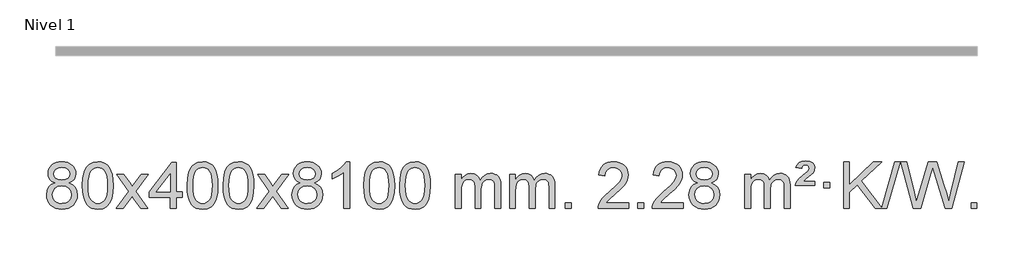
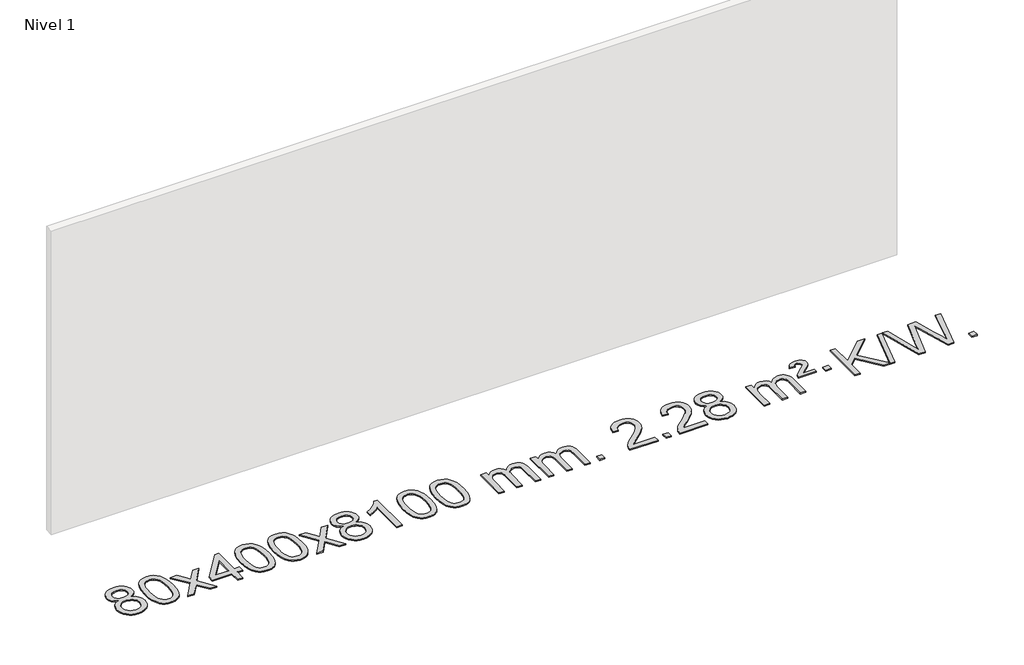
# One storey, part 2 of 16: 1 proxy.
"""IFC4 building model written with IfcOpenShell, lengths in millimetres."""

from ifc_helpers import new_model, si_unit, origin, origin_with_axes, place, context, project, spatial, polyline, outline, extrude, element, save

model = new_model("IFC4")

# Units and contexts
model_context = context("Model", 3, world=origin())
ifc_project = project(units=[si_unit("LENGTHUNIT", "METRE", prefix="MILLI")], contexts=[model_context])

# Site, building, storey
site = spatial("IfcSite", under=ifc_project)
building = spatial("IfcBuilding", under=site)
storey = spatial("IfcBuildingStorey", under=building, Name="Nivel 1", Elevation=0.0)

# Proxy
placement = place(None, origin())
element("IfcBuildingElementProxy", 1, Name="Texto de modelo 1", ObjectType="Texto de modelo 1", at=placement, inside=storey, context=model_context, shape_type="SweptSolid", body=[
    extrude(outline(polyline([(-13036.8094438, -12224.2616447), (-13063.7016177, -12211.0178929), (-13082.573964, -12193.0652515), (-13093.7207885, -12170.7716026), (-13097.4363966, -12144.5048281), (-13095.4130456, -12124.0199324), (-13089.3429927, -12105.2395565), (-13079.2262378, -12088.1637006), (-13065.062781, -12072.7923645), (-13047.533204, -12060.088173), (-13027.3180883, -12051.0137504), (-13004.4174341, -12045.5690969), (-12978.8312414, -12043.7542124), (-12953.1224213, -12045.6120165), (-12930.0500888, -12051.1854287), (-12909.614244, -12060.4744491), (-12891.8148868, -12073.4790776), (-12877.3939126, -12089.1508506), (-12867.0932167, -12106.4413044), (-12860.9127992, -12125.3504389), (-12858.85266, -12145.8782543), (-12862.5192172, -12171.2989001), (-12873.5188889, -12193.2124043), (-12891.9743023, -12211.0546811), (-12918.0080848, -12224.2616447), (-12887.0937345, -12240.1909351), (-12864.5916191, -12263.6495436), (-12850.8696207, -12293.5092989), (-12846.2956212, -12328.6420295), (-12848.5642269, -12353.6947933), (-12855.3700438, -12376.6628926), (-12866.713072, -12397.5463272), (-12882.5933114, -12416.3450971), (-12902.1768963, -12431.88198), (-12924.6299607, -12442.9797536), (-12949.9525047, -12449.6384177), (-12978.1445283, -12451.8579724), (-13006.3365519, -12449.6292206), (-13031.6590959, -12442.9429654), (-13054.1121603, -12431.7992066), (-13073.6957452, -12416.1979443), (-13089.5759846, -12397.26735), (-13100.9190128, -12376.135595), (-13107.7248297, -12352.8026795), (-13109.9934354, -12327.2686033), (-13105.2354949, -12290.7747094), (-13090.9616735, -12260.7555386), (-13067.9077351, -12238.2411605), (-13036.8094438, -12224.2616447)]), holes=[polyline([(-13047.2082415, -12145.9763561), (-13042.7568694, -12167.902123), (-13029.402753, -12185.413306), (-13007.5382997, -12196.8912243), (-12977.5559171, -12200.717197), (-12948.2725103, -12196.9157497), (-12926.7391508, -12185.5114079), (-12913.495399, -12168.5888361), (-12909.0808151, -12148.232699), (-12913.6425518, -12127.1040098), (-12927.327762, -12109.629615), (-12949.1554271, -12097.8941794), (-12978.1445283, -12093.9823675), (-13007.3175705, -12097.8083402), (-13029.1084474, -12109.2862585), (-13042.683293, -12126.1107284), (-13047.2082415, -12145.9763561)]), polyline([(-13059.7652803, -12325.5027698), (-13057.6683529, -12344.7184726), (-13051.3775708, -12363.3210389), (-13039.7647625, -12379.5446349), (-13021.7017565, -12391.623427), (-13000.0702952, -12399.1282197), (-12977.7521208, -12401.6298173), (-12943.5636208, -12396.3691048), (-12929.6699441, -12389.7932141), (-12917.909983, -12380.5869672), (-12901.870328, -12356.6869002), (-12896.5237763, -12327.0723996), (-12902.0420062, -12296.9551269), (-12918.596696, -12272.5277625), (-12930.6754882, -12263.0854579), (-12944.838945, -12256.3409547), (-12979.4198526, -12250.9453521), (-13013.130106, -12256.2673783), (-13026.8674329, -12262.919911), (-13038.5262264, -12272.2334569), (-13054.4555168, -12296.1948375), (-13059.7652803, -12325.5027698)])]), origin_with_axes(), (0.0, 0.0, 1.0), 10.0),
    extrude(outline(polyline([(-12802.3459855, -12247.9041943), (-12798.6549029, -12183.5861588), (-12787.5816548, -12132.2911459), (-12769.236606, -12093.2343407), (-12757.378543, -12078.0009605), (-12743.730121, -12065.6309284), (-12728.2453547, -12056.0598651), (-12710.8782588, -12049.2233914), (-12670.4970785, -12043.7542124), (-12639.5459399, -12046.991574), (-12611.832163, -12056.7036586), (-12588.6555973, -12072.5103217), (-12571.3160926, -12094.0314184), (-12558.2194935, -12121.0830078), (-12547.7716449, -12153.4811488), (-12540.9290398, -12194.6226186), (-12538.6481714, -12247.9041943), (-12542.3024659, -12311.8543477), (-12553.2653493, -12363.0267333), (-12571.5000336, -12402.1203266), (-12583.3305054, -12417.3996922), (-12596.9697304, -12429.8341036), (-12612.4728908, -12439.4695462), (-12629.8951689, -12446.3520052), (-12670.4970785, -12451.8579724), (-12698.1618045, -12449.4667394), (-12722.6872709, -12442.2930405), (-12744.0734775, -12430.3368757), (-12762.3204245, -12413.5982449), (-12779.8316074, -12383.3399508), (-12792.3395953, -12345.6381776), (-12799.844388, -12300.4929255), (-12802.3459855, -12247.9041943)]), holes=[polyline([(-12752.1178305, -12247.8060924), (-12750.6463025, -12291.4706195), (-12746.2317185, -12326.8148822), (-12738.8740786, -12353.8388804), (-12728.5733828, -12372.5426142), (-12716.1144459, -12385.2682656), (-12702.2820829, -12394.3580165), (-12687.0762937, -12399.8118671), (-12670.4970785, -12401.6298173), (-12653.9178632, -12399.8057357), (-12638.7120741, -12394.3334911), (-12624.8797111, -12385.2130833), (-12612.4207742, -12372.4445124), (-12602.1200783, -12353.7101217), (-12594.7624384, -12326.6922549), (-12590.3478545, -12291.3909118), (-12588.8763265, -12247.8060924), (-12590.2988035, -12205.2973278), (-12594.5662347, -12170.5753989), (-12601.6786199, -12143.6403055), (-12611.6359592, -12124.4920476), (-12623.8864297, -12111.1440625), (-12637.8782082, -12101.6097875), (-12653.6112949, -12095.8892225), (-12671.0856897, -12093.9823675), (-12687.5790658, -12095.6623619), (-12702.5273375, -12100.7023452), (-12715.9305049, -12109.1023175), (-12727.7885679, -12120.8622786), (-12738.4326203, -12141.708925), (-12746.0355148, -12169.8151094), (-12750.5972516, -12205.1808319), (-12752.1178305, -12247.8060924)])]), origin_with_axes(), (0.0, 0.0, 1.0), 10.0),
    extrude(outline(polyline([(-12513.5340939, -12445.579453), (-12406.2106531, -12297.2494325), (-12507.2555745, -12150.4890419), (-12446.8248254, -12150.4890419), (-12398.0681983, -12221.122385), (-12375.3085655, -12254.4770192), (-12355.5900906, -12227.2047007), (-12300.0644348, -12150.4890419), (-12239.6336857, -12150.4890419), (-12345.7799041, -12297.2494325), (-12243.5577603, -12445.579453), (-12303.9885094, -12445.579453), (-12365.498379, -12356.4048574), (-12376.7800935, -12340.1199477), (-12453.1033448, -12445.579453), (-12513.5340939, -12445.579453)])), origin_with_axes(), (0.0, 0.0, 1.0), 10.0),
    extrude(outline(polyline([(-12048.9236594, -12445.579453), (-12048.9236594, -12351.4016622), (-12231.0007216, -12351.4016622), (-12231.0007216, -12301.1735072), (-12036.3666207, -12050.0327318), (-11998.6955043, -12050.0327318), (-11998.6955043, -12301.1735072), (-11948.4673493, -12301.1735072), (-11948.4673493, -12351.4016622), (-11998.6955043, -12351.4016622), (-11998.6955043, -12445.579453), (-12048.9236594, -12445.579453)]), holes=[polyline([(-12048.9236594, -12301.1735072), (-12048.9236594, -12145.9763561), (-12169.1965464, -12301.1735072), (-12048.9236594, -12301.1735072)])]), origin_with_axes(), (0.0, 0.0, 1.0), 10.0),
    extrude(outline(polyline([(-11904.5177136, -12247.9041943), (-11900.8266309, -12183.5861588), (-11889.7533828, -12132.2911459), (-11871.408334, -12093.2343407), (-11859.550271, -12078.0009605), (-11845.901849, -12065.6309284), (-11830.4170827, -12056.0598651), (-11813.0499869, -12049.2233914), (-11772.6688065, -12043.7542124), (-11741.717668, -12046.991574), (-11714.003891, -12056.7036586), (-11690.8273253, -12072.5103217), (-11673.4878206, -12094.0314184), (-11660.3912216, -12121.0830078), (-11649.9433729, -12153.4811488), (-11643.1007678, -12194.6226186), (-11640.8198994, -12247.9041943), (-11644.4741939, -12311.8543477), (-11655.4370774, -12363.0267333), (-11673.6717616, -12402.1203266), (-11685.5022334, -12417.3996922), (-11699.1414584, -12429.8341036), (-11714.6446188, -12439.4695462), (-11732.066897, -12446.3520052), (-11772.6688065, -12451.8579724), (-11800.3335326, -12449.4667394), (-11824.8589989, -12442.2930405), (-11846.2452055, -12430.3368757), (-11864.4921525, -12413.5982449), (-11882.0033355, -12383.3399508), (-11894.5113233, -12345.6381776), (-11902.016116, -12300.4929255), (-11904.5177136, -12247.9041943)]), holes=[polyline([(-11854.2895585, -12247.8060924), (-11852.8180305, -12291.4706195), (-11848.4034466, -12326.8148822), (-11841.0458067, -12353.8388804), (-11830.7451108, -12372.5426142), (-11818.2861739, -12385.2682656), (-11804.4538109, -12394.3580165), (-11789.2480218, -12399.8118671), (-11772.6688065, -12401.6298173), (-11756.0895913, -12399.8057357), (-11740.8838021, -12394.3334911), (-11727.0514391, -12385.2130833), (-11714.5925022, -12372.4445124), (-11704.2918063, -12353.7101217), (-11696.9341664, -12326.6922549), (-11692.5195825, -12291.3909118), (-11691.0480545, -12247.8060924), (-11692.4705316, -12205.2973278), (-11696.7379627, -12170.5753989), (-11703.8503479, -12143.6403055), (-11713.8076873, -12124.4920476), (-11726.0581577, -12111.1440625), (-11740.0499363, -12101.6097875), (-11755.7830229, -12095.8892225), (-11773.2574177, -12093.9823675), (-11789.7507938, -12095.6623619), (-11804.6990656, -12100.7023452), (-11818.1022329, -12109.1023175), (-11829.9602959, -12120.8622786), (-11840.6043483, -12141.708925), (-11848.2072429, -12169.8151094), (-11852.7689796, -12205.1808319), (-11854.2895585, -12247.8060924)])]), origin_with_axes(), (0.0, 0.0, 1.0), 10.0),
    extrude(outline(polyline([(-11596.8702638, -12247.9041943), (-11593.1791811, -12183.5861588), (-11582.105933, -12132.2911459), (-11563.7608842, -12093.2343407), (-11551.9028212, -12078.0009605), (-11538.2543992, -12065.6309284), (-11522.7696329, -12056.0598651), (-11505.402537, -12049.2233914), (-11465.0213567, -12043.7542124), (-11434.0702182, -12046.991574), (-11406.3564412, -12056.7036586), (-11383.1798755, -12072.5103217), (-11365.8403708, -12094.0314184), (-11352.7437718, -12121.0830078), (-11342.2959231, -12153.4811488), (-11335.453318, -12194.6226186), (-11333.1724496, -12247.9041943), (-11336.8267441, -12311.8543477), (-11347.7896275, -12363.0267333), (-11366.0243118, -12402.1203266), (-11377.8547836, -12417.3996922), (-11391.4940086, -12429.8341036), (-11406.997169, -12439.4695462), (-11424.4194471, -12446.3520052), (-11465.0213567, -12451.8579724), (-11492.6860827, -12449.4667394), (-11517.2115491, -12442.2930405), (-11538.5977557, -12430.3368757), (-11556.8447027, -12413.5982449), (-11574.3558856, -12383.3399508), (-11586.8638735, -12345.6381776), (-11594.3686662, -12300.4929255), (-11596.8702638, -12247.9041943)]), holes=[polyline([(-11546.6421087, -12247.8060924), (-11545.1705807, -12291.4706195), (-11540.7559968, -12326.8148822), (-11533.3983568, -12353.8388804), (-11523.097661, -12372.5426142), (-11510.6387241, -12385.2682656), (-11496.8063611, -12394.3580165), (-11481.6005719, -12399.8118671), (-11465.0213567, -12401.6298173), (-11448.4421414, -12399.8057357), (-11433.2363523, -12394.3334911), (-11419.4039893, -12385.2130833), (-11406.9450524, -12372.4445124), (-11396.6443565, -12353.7101217), (-11389.2867166, -12326.6922549), (-11384.8721327, -12291.3909118), (-11383.4006047, -12247.8060924), (-11384.8230817, -12205.2973278), (-11389.0905129, -12170.5753989), (-11396.2028981, -12143.6403055), (-11406.1602375, -12124.4920476), (-11418.4107079, -12111.1440625), (-11432.4024864, -12101.6097875), (-11448.1355731, -12095.8892225), (-11465.6099679, -12093.9823675), (-11482.103344, -12095.6623619), (-11497.0516157, -12100.7023452), (-11510.4547831, -12109.1023175), (-11522.3128461, -12120.8622786), (-11532.9568985, -12141.708925), (-11540.559793, -12169.8151094), (-11545.1215298, -12205.1808319), (-11546.6421087, -12247.8060924)])]), origin_with_axes(), (0.0, 0.0, 1.0), 10.0),
    extrude(outline(polyline([(-11308.0583721, -12445.579453), (-11200.7349313, -12297.2494325), (-11301.7798527, -12150.4890419), (-11241.3491036, -12150.4890419), (-11192.5924765, -12221.122385), (-11169.8328437, -12254.4770192), (-11150.1143688, -12227.2047007), (-11094.588713, -12150.4890419), (-11034.1579639, -12150.4890419), (-11140.3041823, -12297.2494325), (-11038.0820385, -12445.579453), (-11098.5127876, -12445.579453), (-11160.0226572, -12356.4048574), (-11171.3043717, -12340.1199477), (-11247.627623, -12445.579453), (-11308.0583721, -12445.579453)])), origin_with_axes(), (0.0, 0.0, 1.0), 10.0),
    extrude(outline(polyline([(-10933.50545, -12224.2616447), (-10960.3976239, -12211.0178929), (-10979.2699702, -12193.0652515), (-10990.4167947, -12170.7716026), (-10994.1324029, -12144.5048281), (-10992.1090519, -12124.0199324), (-10986.038999, -12105.2395565), (-10975.9222441, -12088.1637006), (-10961.7587873, -12072.7923645), (-10944.2292102, -12060.088173), (-10924.0140946, -12051.0137504), (-10901.1134404, -12045.5690969), (-10875.5272476, -12043.7542124), (-10849.8184275, -12045.6120165), (-10826.746095, -12051.1854287), (-10806.3102502, -12060.4744491), (-10788.510893, -12073.4790776), (-10774.0899188, -12089.1508506), (-10763.7892229, -12106.4413044), (-10757.6088054, -12125.3504389), (-10755.5486662, -12145.8782543), (-10759.2152235, -12171.2989001), (-10770.2148951, -12193.2124043), (-10788.6703085, -12211.0546811), (-10814.7040911, -12224.2616447), (-10783.7897407, -12240.1909351), (-10761.2876254, -12263.6495436), (-10747.565627, -12293.5092989), (-10742.9916275, -12328.6420295), (-10745.2602331, -12353.6947933), (-10752.06605, -12376.6628926), (-10763.4090782, -12397.5463272), (-10779.2893177, -12416.3450971), (-10798.8729025, -12431.88198), (-10821.325967, -12442.9797536), (-10846.648511, -12449.6384177), (-10874.8405346, -12451.8579724), (-10903.0325581, -12449.6292206), (-10928.3551021, -12442.9429654), (-10950.8081666, -12431.7992066), (-10970.3917514, -12416.1979443), (-10986.2719909, -12397.26735), (-10997.6150191, -12376.135595), (-11004.420836, -12352.8026795), (-11006.6894416, -12327.2686033), (-11001.9315012, -12290.7747094), (-10987.6576797, -12260.7555386), (-10964.6037414, -12238.2411605), (-10933.50545, -12224.2616447)]), holes=[polyline([(-10943.9042478, -12145.9763561), (-10939.4528756, -12167.902123), (-10926.0987592, -12185.413306), (-10904.234306, -12196.8912243), (-10874.2519234, -12200.717197), (-10844.9685165, -12196.9157497), (-10823.4351571, -12185.5114079), (-10810.1914053, -12168.5888361), (-10805.7768213, -12148.232699), (-10810.3385581, -12127.1040098), (-10824.0237683, -12109.629615), (-10845.8514333, -12097.8941794), (-10874.8405346, -12093.9823675), (-10904.0135768, -12097.8083402), (-10925.8044536, -12109.2862585), (-10939.3792992, -12126.1107284), (-10943.9042478, -12145.9763561)]), polyline([(-10956.4612865, -12325.5027698), (-10954.3643592, -12344.7184726), (-10948.0735771, -12363.3210389), (-10936.4607687, -12379.5446349), (-10918.3977628, -12391.623427), (-10896.7663015, -12399.1282197), (-10874.4481271, -12401.6298173), (-10840.259627, -12396.3691048), (-10826.3659503, -12389.7932141), (-10814.6059892, -12380.5869672), (-10798.5663342, -12356.6869002), (-10793.2197826, -12327.0723996), (-10798.7380125, -12296.9551269), (-10815.2927023, -12272.5277625), (-10827.3714944, -12263.0854579), (-10841.5349513, -12256.3409547), (-10876.1158588, -12250.9453521), (-10909.8261123, -12256.2673783), (-10923.5634391, -12262.919911), (-10935.2222327, -12272.2334569), (-10951.1515231, -12296.1948375), (-10956.4612865, -12325.5027698)])]), origin_with_axes(), (0.0, 0.0, 1.0), 10.0),
    extrude(outline(polyline([(-10510.6864103, -12445.579453), (-10560.9145653, -12445.579453), (-10560.9145653, -12132.4382987), (-10581.8838391, -12149.3976587), (-10608.49397, -12166.3324932), (-10661.3708755, -12191.6918254), (-10661.3708755, -12144.2105225), (-10621.9216629, -12122.7507395), (-10587.7454255, -12097.219729), (-10560.8042007, -12070.0700378), (-10543.0600258, -12043.7542124), (-10510.6864103, -12043.7542124), (-10510.6864103, -12445.579453)])), origin_with_axes(), (0.0, 0.0, 1.0), 10.0),
    extrude(outline(polyline([(-10391.394542, -12247.9041943), (-10387.7034593, -12183.5861588), (-10376.6302112, -12132.2911459), (-10358.2851624, -12093.2343407), (-10346.4270994, -12078.0009605), (-10332.7786774, -12065.6309284), (-10317.2939111, -12056.0598651), (-10299.9268152, -12049.2233914), (-10259.5456349, -12043.7542124), (-10228.5944964, -12046.991574), (-10200.8807194, -12056.7036586), (-10177.7041537, -12072.5103217), (-10160.364649, -12094.0314184), (-10147.26805, -12121.0830078), (-10136.8202013, -12153.4811488), (-10129.9775962, -12194.6226186), (-10127.6967278, -12247.9041943), (-10131.3510223, -12311.8543477), (-10142.3139058, -12363.0267333), (-10160.54859, -12402.1203266), (-10172.3790618, -12417.3996922), (-10186.0182868, -12429.8341036), (-10201.5214472, -12439.4695462), (-10218.9437253, -12446.3520052), (-10259.5456349, -12451.8579724), (-10287.2103609, -12449.4667394), (-10311.7358273, -12442.2930405), (-10333.1220339, -12430.3368757), (-10351.3689809, -12413.5982449), (-10368.8801639, -12383.3399508), (-10381.3881517, -12345.6381776), (-10388.8929444, -12300.4929255), (-10391.394542, -12247.9041943)]), holes=[polyline([(-10341.1663869, -12247.8060924), (-10339.6948589, -12291.4706195), (-10335.280275, -12326.8148822), (-10327.9226351, -12353.8388804), (-10317.6219392, -12372.5426142), (-10305.1630023, -12385.2682656), (-10291.3306393, -12394.3580165), (-10276.1248501, -12399.8118671), (-10259.5456349, -12401.6298173), (-10242.9664196, -12399.8057357), (-10227.7606305, -12394.3334911), (-10213.9282675, -12385.2130833), (-10201.4693306, -12372.4445124), (-10191.1686347, -12353.7101217), (-10183.8109948, -12326.6922549), (-10179.3964109, -12291.3909118), (-10177.9248829, -12247.8060924), (-10179.3473599, -12205.2973278), (-10183.6147911, -12170.5753989), (-10190.7271763, -12143.6403055), (-10200.6845157, -12124.4920476), (-10212.9349861, -12111.1440625), (-10226.9267646, -12101.6097875), (-10242.6598513, -12095.8892225), (-10260.1342461, -12093.9823675), (-10276.6276222, -12095.6623619), (-10291.5758939, -12100.7023452), (-10304.9790613, -12109.1023175), (-10316.8371243, -12120.8622786), (-10327.4811767, -12141.708925), (-10335.0840712, -12169.8151094), (-10339.645808, -12205.1808319), (-10341.1663869, -12247.8060924)])]), origin_with_axes(), (0.0, 0.0, 1.0), 10.0),
    extrude(outline(polyline([(-10083.7470921, -12247.9041943), (-10080.0560094, -12183.5861588), (-10068.9827614, -12132.2911459), (-10050.6377126, -12093.2343407), (-10038.7796496, -12078.0009605), (-10025.1312276, -12065.6309284), (-10009.6464612, -12056.0598651), (-9992.2793654, -12049.2233914), (-9951.8981851, -12043.7542124), (-9920.9470465, -12046.991574), (-9893.2332696, -12056.7036586), (-9870.0567039, -12072.5103217), (-9852.7171992, -12094.0314184), (-9839.6206001, -12121.0830078), (-9829.1727515, -12153.4811488), (-9822.3301463, -12194.6226186), (-9820.049278, -12247.9041943), (-9823.7035725, -12311.8543477), (-9834.6664559, -12363.0267333), (-9852.9011401, -12402.1203266), (-9864.731612, -12417.3996922), (-9878.3708369, -12429.8341036), (-9893.8739974, -12439.4695462), (-9911.2962755, -12446.3520052), (-9951.8981851, -12451.8579724), (-9979.5629111, -12449.4667394), (-10004.0883774, -12442.2930405), (-10025.4745841, -12430.3368757), (-10043.721531, -12413.5982449), (-10061.232714, -12383.3399508), (-10073.7407019, -12345.6381776), (-10081.2454946, -12300.4929255), (-10083.7470921, -12247.9041943)]), holes=[polyline([(-10033.518937, -12247.8060924), (-10032.0474091, -12291.4706195), (-10027.6328251, -12326.8148822), (-10020.2751852, -12353.8388804), (-10009.9744894, -12372.5426142), (-9997.5155525, -12385.2682656), (-9983.6831894, -12394.3580165), (-9968.4774003, -12399.8118671), (-9951.8981851, -12401.6298173), (-9935.3189698, -12399.8057357), (-9920.1131807, -12394.3334911), (-9906.2808176, -12385.2130833), (-9893.8218807, -12372.4445124), (-9883.5211849, -12353.7101217), (-9876.163545, -12326.6922549), (-9871.748961, -12291.3909118), (-9870.2774331, -12247.8060924), (-9871.6999101, -12205.2973278), (-9875.9673412, -12170.5753989), (-9883.0797265, -12143.6403055), (-9893.0370658, -12124.4920476), (-9905.2875363, -12111.1440625), (-9919.2793148, -12101.6097875), (-9935.0124015, -12095.8892225), (-9952.4867962, -12093.9823675), (-9968.9801724, -12095.6623619), (-9983.9284441, -12100.7023452), (-9997.3316115, -12109.1023175), (-10009.1896744, -12120.8622786), (-10019.8337268, -12141.708925), (-10027.4366214, -12169.8151094), (-10031.9983581, -12205.1808319), (-10033.518937, -12247.8060924)])]), origin_with_axes(), (0.0, 0.0, 1.0), 10.0),
    extrude(outline(polyline([(-9606.5796189, -12445.579453), (-9606.5796189, -12150.4890419), (-9556.3514638, -12150.4890419), (-9556.3514638, -12199.0494653), (-9541.2437766, -12176.7435537), (-9521.8196072, -12159.2691589), (-9498.7411434, -12147.9751816), (-9472.6705727, -12144.2105225), (-9444.7360665, -12148.048758), (-9422.3443157, -12159.5634645), (-9405.6179477, -12177.9943524), (-9394.6795897, -12202.5811324), (-9376.3713291, -12177.0439906), (-9355.4878945, -12158.803175), (-9332.0292859, -12147.8586857), (-9305.9955034, -12144.2105225), (-9285.8876867, -12145.7280358), (-9268.2385479, -12150.2805755), (-9253.0480872, -12157.8681416), (-9240.3163045, -12168.4907342), (-9230.2516663, -12182.2709806), (-9223.0626389, -12199.3315082), (-9218.7492225, -12219.6723168), (-9217.3114171, -12243.2934066), (-9217.3114171, -12445.579453), (-9267.5395722, -12445.579453), (-9267.5395722, -12264.875817), (-9268.7045318, -12239.8230531), (-9272.1994108, -12222.9372695), (-9278.7477103, -12211.3735121), (-9289.0729316, -12202.2868268), (-9302.3534716, -12196.4007149), (-9317.7677272, -12194.4386776), (-9344.9787321, -12199.4663982), (-9367.1620165, -12214.54956), (-9375.7673895, -12226.1194488), (-9381.9140845, -12240.7182326), (-9386.8314405, -12279.0024856), (-9386.8314405, -12445.579453), (-9437.0595955, -12445.579453), (-9437.0595955, -12259.2840106), (-9439.9658633, -12230.8835206), (-9448.6846666, -12210.6254854), (-9464.0253458, -12198.4853796), (-9486.7972413, -12194.4386776), (-9506.1478342, -12197.1364789), (-9523.9778483, -12205.2298828), (-9538.6931281, -12218.5226856), (-9548.6995183, -12236.8186835), (-9554.4384775, -12262.2025411), (-9556.3514638, -12296.7589232), (-9556.3514638, -12445.579453), (-9606.5796189, -12445.579453)])), origin_with_axes(), (0.0, 0.0, 1.0), 10.0),
    extrude(outline(polyline([(-9141.9691845, -12445.579453), (-9141.9691845, -12150.4890419), (-9091.7410294, -12150.4890419), (-9091.7410294, -12199.0494653), (-9076.6333421, -12176.7435537), (-9057.2091728, -12159.2691589), (-9034.130709, -12147.9751816), (-9008.0601382, -12144.2105225), (-8980.1256321, -12148.048758), (-8957.7338813, -12159.5634645), (-8941.0075132, -12177.9943524), (-8930.0691552, -12202.5811324), (-8911.7608946, -12177.0439906), (-8890.87746, -12158.803175), (-8867.4188515, -12147.8586857), (-8841.3850689, -12144.2105225), (-8821.2772522, -12145.7280358), (-8803.6281135, -12150.2805755), (-8788.4376528, -12157.8681416), (-8775.7058701, -12168.4907342), (-8765.6412318, -12182.2709806), (-8758.4522045, -12199.3315082), (-8754.1387881, -12219.6723168), (-8752.7009826, -12243.2934066), (-8752.7009826, -12445.579453), (-8802.9291377, -12445.579453), (-8802.9291377, -12264.875817), (-8804.0940974, -12239.8230531), (-8807.5889763, -12222.9372695), (-8814.1372758, -12211.3735121), (-8824.4624972, -12202.2868268), (-8837.7430372, -12196.4007149), (-8853.1572928, -12194.4386776), (-8880.3682977, -12199.4663982), (-8902.551582, -12214.54956), (-8911.156955, -12226.1194488), (-8917.30365, -12240.7182326), (-8922.221006, -12279.0024856), (-8922.221006, -12445.579453), (-8972.4491611, -12445.579453), (-8972.4491611, -12259.2840106), (-8975.3554289, -12230.8835206), (-8984.0742321, -12210.6254854), (-8999.4149113, -12198.4853796), (-9022.1868068, -12194.4386776), (-9041.5373998, -12197.1364789), (-9059.3674138, -12205.2298828), (-9074.0826936, -12218.5226856), (-9084.0890839, -12236.8186835), (-9089.828043, -12262.2025411), (-9091.7410294, -12296.7589232), (-9091.7410294, -12445.579453), (-9141.9691845, -12445.579453)])), origin_with_axes(), (0.0, 0.0, 1.0), 10.0),
    extrude(outline(polyline([(-8664.8017113, -12445.579453), (-8664.8017113, -12395.3512979), (-8614.5735562, -12395.3512979), (-8614.5735562, -12445.579453), (-8664.8017113, -12445.579453)])), origin_with_axes(), (0.0, 0.0, 1.0), 10.0),
    extrude(outline(polyline([(-8118.5705248, -12395.3512979), (-8118.5705248, -12445.579453), (-8382.268339, -12445.579453), (-8381.164693, -12427.8965918), (-8376.8727364, -12410.9494945), (-8364.4873759, -12383.8856424), (-8346.3630562, -12357.6311307), (-8320.1453327, -12330.1503456), (-8283.4797605, -12299.4076736), (-8229.2784799, -12251.2641831), (-8196.7577115, -12215.7267824), (-8180.4973273, -12186.884834), (-8175.0771993, -12158.8277005), (-8180.190759, -12133.6768347), (-8195.5314382, -12112.7688747), (-8219.1126741, -12098.6789943), (-8248.9479039, -12093.9823675), (-8280.2791872, -12098.5686297), (-8304.6207125, -12112.3274163), (-8320.3292737, -12134.1796068), (-8325.7616645, -12163.0460807), (-8375.9898196, -12156.7675613), (-8371.6702718, -12130.838012), (-8363.8129255, -12108.1826125), (-8352.4177807, -12088.8013627), (-8337.4848374, -12072.6942627), (-8319.3574521, -12060.0329907), (-8298.3789813, -12050.989225), (-8274.5494251, -12045.5629655), (-8247.8687834, -12043.7542124), (-8220.9490184, -12045.7653006), (-8196.9907035, -12051.7985654), (-8175.9938386, -12061.8540066), (-8157.9584238, -12075.9316242), (-8143.4730702, -12092.9890861), (-8133.1263891, -12111.9840598), (-8126.9183804, -12132.9165453), (-8124.8490442, -12155.7865427), (-8127.0808616, -12179.8092369), (-8133.776314, -12203.4149983), (-8145.6589024, -12227.4254299), (-8163.4521282, -12252.6621347), (-8191.8158301, -12282.7916701), (-8235.4098465, -12321.4805933), (-8293.1918452, -12369.795762), (-8315.8533761, -12395.3512979), (-8118.5705248, -12395.3512979)])), origin_with_axes(), (0.0, 0.0, 1.0), 10.0),
    extrude(outline(polyline([(-8043.2282922, -12445.579453), (-8043.2282922, -12395.3512979), (-7993.0001371, -12395.3512979), (-7993.0001371, -12445.579453), (-8043.2282922, -12445.579453)])), origin_with_axes(), (0.0, 0.0, 1.0), 10.0),
    extrude(outline(polyline([(-7653.9600904, -12395.3512979), (-7653.9600904, -12445.579453), (-7917.6579045, -12445.579453), (-7916.5542585, -12427.8965918), (-7912.2623019, -12410.9494945), (-7899.8769414, -12383.8856424), (-7881.7526218, -12357.6311307), (-7855.5348983, -12330.1503456), (-7818.8693261, -12299.4076736), (-7764.6680455, -12251.2641831), (-7732.1472771, -12215.7267824), (-7715.8868929, -12186.884834), (-7710.4667648, -12158.8277005), (-7715.5803246, -12133.6768347), (-7730.9210038, -12112.7688747), (-7754.5022397, -12098.6789943), (-7784.3374695, -12093.9823675), (-7815.6687527, -12098.5686297), (-7840.0102781, -12112.3274163), (-7855.7188393, -12134.1796068), (-7861.1512301, -12163.0460807), (-7911.3793851, -12156.7675613), (-7907.0598374, -12130.838012), (-7899.2024911, -12108.1826125), (-7887.8073463, -12088.8013627), (-7872.874403, -12072.6942627), (-7854.7470177, -12060.0329907), (-7833.7685469, -12050.989225), (-7809.9389907, -12045.5629655), (-7783.258349, -12043.7542124), (-7756.338584, -12045.7653006), (-7732.380269, -12051.7985654), (-7711.3834041, -12061.8540066), (-7693.3479893, -12075.9316242), (-7678.8626358, -12092.9890861), (-7668.5159547, -12111.9840598), (-7662.307946, -12132.9165453), (-7660.2386098, -12155.7865427), (-7662.4704272, -12179.8092369), (-7669.1658795, -12203.4149983), (-7681.048468, -12227.4254299), (-7698.8416938, -12252.6621347), (-7727.2053956, -12282.7916701), (-7770.799412, -12321.4805933), (-7828.5814108, -12369.795762), (-7851.2429417, -12395.3512979), (-7653.9600904, -12395.3512979)])), origin_with_axes(), (0.0, 0.0, 1.0), 10.0),
    extrude(outline(polyline([(-7530.5479437, -12224.2616447), (-7557.4401176, -12211.0178929), (-7576.3124639, -12193.0652515), (-7587.4592884, -12170.7716026), (-7591.1748965, -12144.5048281), (-7589.1515456, -12124.0199324), (-7583.0814926, -12105.2395565), (-7572.9647378, -12088.1637006), (-7558.801281, -12072.7923645), (-7541.2717039, -12060.088173), (-7521.0565883, -12051.0137504), (-7498.1559341, -12045.5690969), (-7472.5697413, -12043.7542124), (-7446.8609212, -12045.6120165), (-7423.7885887, -12051.1854287), (-7403.3527439, -12060.4744491), (-7385.5533867, -12073.4790776), (-7371.1324125, -12089.1508506), (-7360.8317166, -12106.4413044), (-7354.6512991, -12125.3504389), (-7352.5911599, -12145.8782543), (-7356.2577171, -12171.2989001), (-7367.2573888, -12193.2124043), (-7385.7128022, -12211.0546811), (-7411.7465848, -12224.2616447), (-7380.8322344, -12240.1909351), (-7358.3301191, -12263.6495436), (-7344.6081206, -12293.5092989), (-7340.0341212, -12328.6420295), (-7342.3027268, -12353.6947933), (-7349.1085437, -12376.6628926), (-7360.4515719, -12397.5463272), (-7376.3318114, -12416.3450971), (-7395.9153962, -12431.88198), (-7418.3684607, -12442.9797536), (-7443.6910047, -12449.6384177), (-7471.8830282, -12451.8579724), (-7500.0750518, -12449.6292206), (-7525.3975958, -12442.9429654), (-7547.8506602, -12431.7992066), (-7567.4342451, -12416.1979443), (-7583.3144846, -12397.26735), (-7594.6575128, -12376.135595), (-7601.4633297, -12352.8026795), (-7603.7319353, -12327.2686033), (-7598.9739948, -12290.7747094), (-7584.7001734, -12260.7555386), (-7561.6462351, -12238.2411605), (-7530.5479437, -12224.2616447)]), holes=[polyline([(-7540.9467415, -12145.9763561), (-7536.4953693, -12167.902123), (-7523.1412529, -12185.413306), (-7501.2767996, -12196.8912243), (-7471.294417, -12200.717197), (-7442.0110102, -12196.9157497), (-7420.4776508, -12185.5114079), (-7407.2338989, -12168.5888361), (-7402.819315, -12148.232699), (-7407.3810517, -12127.1040098), (-7421.066262, -12109.629615), (-7442.893927, -12097.8941794), (-7471.8830282, -12093.9823675), (-7501.0560705, -12097.8083402), (-7522.8469473, -12109.2862585), (-7536.4217929, -12126.1107284), (-7540.9467415, -12145.9763561)]), polyline([(-7553.5037802, -12325.5027698), (-7551.4068529, -12344.7184726), (-7545.1160707, -12363.3210389), (-7533.5032624, -12379.5446349), (-7515.4402565, -12391.623427), (-7493.8087951, -12399.1282197), (-7471.4906208, -12401.6298173), (-7437.3021207, -12396.3691048), (-7423.408444, -12389.7932141), (-7411.6484829, -12380.5869672), (-7395.6088279, -12356.6869002), (-7390.2622762, -12327.0723996), (-7395.7805062, -12296.9551269), (-7412.3351959, -12272.5277625), (-7424.4139881, -12263.0854579), (-7438.5774449, -12256.3409547), (-7473.1583525, -12250.9453521), (-7506.868606, -12256.2673783), (-7520.6059328, -12262.919911), (-7532.2647264, -12272.2334569), (-7548.1940168, -12296.1948375), (-7553.5037802, -12325.5027698)])]), origin_with_axes(), (0.0, 0.0, 1.0), 10.0),
    extrude(outline(polyline([(-7126.5644621, -12445.579453), (-7126.5644621, -12150.4890419), (-7076.336307, -12150.4890419), (-7076.336307, -12199.0494653), (-7061.2286197, -12176.7435537), (-7041.8044504, -12159.2691589), (-7018.7259866, -12147.9751816), (-6992.6554158, -12144.2105225), (-6964.7209097, -12148.048758), (-6942.3291589, -12159.5634645), (-6925.6027909, -12177.9943524), (-6914.6644329, -12202.5811324), (-6896.3561722, -12177.0439906), (-6875.4727377, -12158.803175), (-6852.0141291, -12147.8586857), (-6825.9803466, -12144.2105225), (-6805.8725298, -12145.7280358), (-6788.2233911, -12150.2805755), (-6773.0329304, -12157.8681416), (-6760.3011477, -12168.4907342), (-6750.2365094, -12182.2709806), (-6743.0474821, -12199.3315082), (-6738.7340657, -12219.6723168), (-6737.2962603, -12243.2934066), (-6737.2962603, -12445.579453), (-6787.5244153, -12445.579453), (-6787.5244153, -12264.875817), (-6788.689375, -12239.8230531), (-6792.1842539, -12222.9372695), (-6798.7325535, -12211.3735121), (-6809.0577748, -12202.2868268), (-6822.3383148, -12196.4007149), (-6837.7525704, -12194.4386776), (-6864.9635753, -12199.4663982), (-6887.1468596, -12214.54956), (-6895.7522326, -12226.1194488), (-6901.8989276, -12240.7182326), (-6906.8162836, -12279.0024856), (-6906.8162836, -12445.579453), (-6957.0444387, -12445.579453), (-6957.0444387, -12259.2840106), (-6959.9507065, -12230.8835206), (-6968.6695098, -12210.6254854), (-6984.010189, -12198.4853796), (-7006.7820845, -12194.4386776), (-7026.1326774, -12197.1364789), (-7043.9626914, -12205.2298828), (-7058.6779713, -12218.5226856), (-7068.6843615, -12236.8186835), (-7074.4233206, -12262.2025411), (-7076.336307, -12296.7589232), (-7076.336307, -12445.579453), (-7126.5644621, -12445.579453)])), origin_with_axes(), (0.0, 0.0, 1.0), 10.0),
    extrude(outline(polyline([(-6693.3466246, -12244.6668327), (-6689.5206518, -12228.8479069), (-6681.1819933, -12212.9799302), (-6659.6731593, -12187.8413272), (-6627.7164766, -12160.1030247), (-6583.5706372, -12122.726214), (-6576.4337265, -12111.1992448), (-6574.0547563, -12099.3779701), (-6575.9432172, -12087.2869152), (-6581.6085999, -12077.5012541), (-6590.977328, -12071.026531), (-6603.9758252, -12068.8682899), (-6616.4102366, -12070.4869707), (-6625.26393, -12075.343013), (-6631.6896022, -12084.8098431), (-6636.8399501, -12100.2608869), (-6687.0681052, -12093.9823675), (-6676.2278491, -12068.7701881), (-6659.5995829, -12051.2099542), (-6635.834406, -12040.9092583), (-6603.5834178, -12037.475693), (-6567.8007624, -12041.6082341), (-6543.0545668, -12054.0058573), (-6528.6335926, -12072.3386434), (-6523.8266012, -12094.2766731), (-6527.9223541, -12117.1834586), (-6540.2096127, -12138.8149199), (-6560.737428, -12158.6314968), (-6597.2067965, -12186.6886303), (-6622.8113834, -12213.2742358), (-6523.8266012, -12213.2742358), (-6523.8266012, -12244.6668327), (-6693.3466246, -12244.6668327)])), origin_with_axes(), (0.0, 0.0, 1.0), 10.0),
    extrude(outline(polyline([(-6448.4843686, -12269.7809102), (-6448.4843686, -12219.5527552), (-6398.2562135, -12219.5527552), (-6398.2562135, -12269.7809102), (-6448.4843686, -12269.7809102)])), origin_with_axes(), (0.0, 0.0, 1.0), 10.0),
    extrude(outline(polyline([(-6007.6145856, -12445.579453), (-6161.045903, -12242.9009991), (-6228.7361901, -12307.4520265), (-6228.7361901, -12445.579453), (-6278.9643452, -12445.579453), (-6278.9643452, -12043.7542124), (-6228.7361901, -12043.7542124), (-6228.7361901, -12240.4484525), (-6022.7222728, -12043.7542124), (-5952.4813372, -12043.7542124), (-6125.4349259, -12208.9577537), (-5950.781316, -12439.5349332), (-5839.4679883, -12043.7542124), (-5794.1449265, -12043.7542124), (-5907.1582754, -12445.579453), (-5946.2028178, -12445.579453), (-5952.4813372, -12445.579453), (-6007.6145856, -12445.579453)])), origin_with_axes(), (0.0, 0.0, 1.0), 10.0),
    extrude(outline(polyline([(-5679.6600496, -12445.579453), (-5789.2398332, -12043.7542124), (-5737.4420483, -12043.7542124), (-5673.8720395, -12307.844434), (-5654.2516665, -12389.3670841), (-5633.2578673, -12317.2622131), (-5553.5991526, -12043.7542124), (-5478.943633, -12043.7542124), (-5421.0635325, -12242.0180823), (-5396.268286, -12315.5944814), (-5377.9968136, -12389.3670841), (-5358.9650517, -12310.1988788), (-5294.8064317, -12043.7542124), (-5243.0086468, -12043.7542124), (-5352.6865323, -12445.579453), (-5406.3482526, -12445.579453), (-5502.6842845, -12135.5775584), (-5516.12424, -12092.3146358), (-5531.2319273, -12144.4067263), (-5619.0330968, -12445.579453), (-5679.6600496, -12445.579453)])), origin_with_axes(), (0.0, 0.0, 1.0), 10.0),
    extrude(outline(polyline([(-5186.5019723, -12445.579453), (-5186.5019723, -12395.3512979), (-5136.2738173, -12395.3512979), (-5136.2738173, -12445.579453), (-5186.5019723, -12445.579453)])), origin_with_axes(), (0.0, 0.0, 1.0), 10.0),
])

save(model, "model.ifc")
